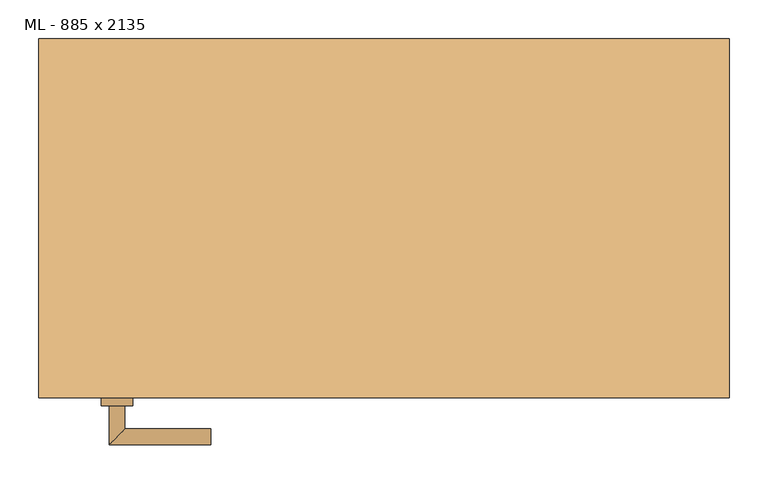
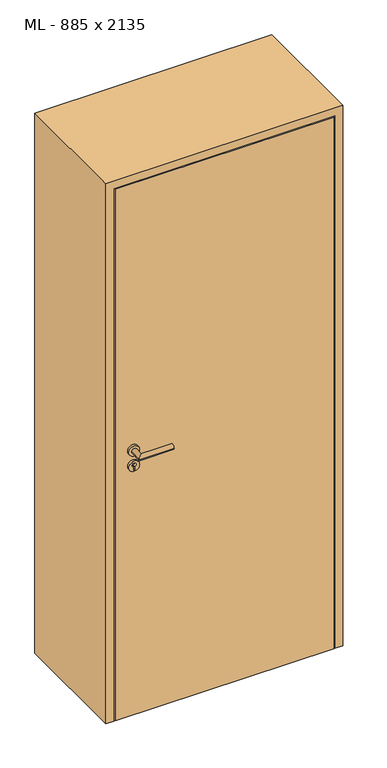
"""IFC4 building model written with IfcOpenShell, lengths in millimetres: door geometry, ML - 885 x 2135."""

from ifc_helpers import new_model, si_unit, point, frame, frame_2d, origin, origin_with_axes, place, context, project, spatial, polyline, circle_curve, ellipse_curve, trimmed, segment, composite_curve, outline, extrude, faceted_brep, source, transform, mapped, element, save
from ifc_brep_helpers import plane_surface, cylinder_surface, advanced_brep


def ml_885_x_2135_a4004e5d(model_context):
    return source(origin(), model_context, "Body", "SolidModel", [
        extrude(outline(polyline([(408.5, -230.0), (-408.5, -230.0), (-408.5, -185.0), (408.5, -185.0), (408.5, -230.0)])), origin_with_axes(), (0.0, 0.0, 1.0), 2101.0),
        advanced_brep(
        [(-332.5, -240.0, 1050.0), (-352.5, -240.0, 1050.0), (-352.5, -290.0, 1050.0), (-332.5, -270.0, 1050.0), (-222.5, -270.0, 1050.0), (-222.5, -290.0, 1050.0)],
        [
            (0, 1, circle_curve(frame((-342.5, -240.0, 1050.0), z_axis=(0.0, 1.0, 0.0), x_axis=(-1.0, 0.0, 0.0)), 10.0)),
            (1, 0, circle_curve(frame((-342.5, -240.0, 1050.0), z_axis=(0.0, 1.0, 0.0), x_axis=(-1.0, 0.0, 0.0)), 10.0)),
            (1, 2),
            (2, 3, ellipse_curve(frame((-342.5, -280.0, 1050.0), z_axis=(-0.7071067811865531, 0.7071067811865419, 0.0), x_axis=(0.707106781186542, 0.707106781186553, 0.0)), 14.1421356, 10.0)),
            (3, 0),
            (3, 2, ellipse_curve(frame((-342.5, -280.0, 1050.0), z_axis=(-0.7071067811865531, 0.7071067811865419, 0.0), x_axis=(0.707106781186542, 0.707106781186553, 0.0)), 14.1421356, 10.0)),
            (4, 5, circle_curve(frame((-222.5, -280.0, 1050.0), z_axis=(1.0, 0.0, 0.0), x_axis=(0.0, -1.0, 0.0)), 10.0)),
            (5, 4, circle_curve(frame((-222.5, -280.0, 1050.0), z_axis=(1.0, 0.0, 0.0), x_axis=(0.0, -1.0, 0.0)), 10.0)),
            (2, 5),
            (4, 3),
        ],
        [
            plane_surface(frame((-342.5, -240.0, 1050.0), z_axis=(0.0, 1.0, 0.0), x_axis=(0.0, 0.0, 1.0))),
            cylinder_surface(frame((-342.5, -240.0, 1050.0), z_axis=(0.0, 1.0, 0.0), x_axis=(-1.0, 0.0, 0.0)), 10.0),
            plane_surface(frame((-222.5, -280.0, 1050.0), z_axis=(1.0, 0.0, 0.0), x_axis=(0.0, 0.0, 1.0))),
            cylinder_surface(frame((-342.5, -280.0, 1050.0), z_axis=(-1.0, 0.0, 0.0), x_axis=(0.0, -1.0, 0.0)), 10.0),
        ],
        [
            (0, [[1, 2]]),
            (1, [[3, 4, 5, -2]]),
            (1, [[-5, 6, -3, -1]]),
            (2, [[7, 8]]),
            (3, [[9, -7, 10, -4]]),
            (3, [[-10, -8, -9, -6]]),
        ],
    ),
        extrude(outline(composite_curve([segment(trimmed(circle_curve(frame_2d((990.0, -342.5)), 20.0), [point((990.0, -362.5))], [point((990.0, -322.5))], False, "CARTESIAN"), True, "CONTINUOUS"), segment(trimmed(circle_curve(frame_2d((990.0, -342.5)), 20.0), [point((990.0, -322.5))], [point((990.0, -362.5))], False, "CARTESIAN"), True, "CONTINUOUS")], self_intersect=False), holes=[composite_curve([segment(polyline([(976.4601385, -344.897268), (988.4749012, -344.897268)]), True, "CONTINUOUS"), segment(trimmed(circle_curve(frame_2d((995.0361633, -342.5)), 6.9854888), [point((988.4749012, -344.897268))], [point((988.4749012, -340.102732))], True, "CARTESIAN"), True, "CONTINUOUS"), segment(polyline([(988.4749012, -340.102732), (976.4601385, -340.102732)]), True, "CONTINUOUS"), segment(trimmed(circle_curve(frame_2d((976.4601385, -342.5)), 2.397268), [point((976.4601385, -340.102732))], [point((976.4601385, -344.897268))], True, "CARTESIAN"), True, "CONTINUOUS")], self_intersect=False)]), frame((0.0, -240.0, 0.0), z_axis=(0.0, 1.0, 0.0), x_axis=(0.0, 0.0, 1.0)), (0.0, 0.0, 1.0), 10.0),
        advanced_brep(
        [(-332.5, -240.0, 1050.0), (-352.5, -240.0, 1050.0), (-352.5, -290.0, 1050.0), (-332.5, -270.0, 1050.0), (-222.5, -270.0, 1050.0), (-222.5, -290.0, 1050.0)],
        [
            (0, 1, circle_curve(frame((-342.5, -240.0, 1050.0), z_axis=(0.0, 1.0, 0.0), x_axis=(-1.0, 0.0, 0.0)), 10.0)),
            (1, 0, circle_curve(frame((-342.5, -240.0, 1050.0), z_axis=(0.0, 1.0, 0.0), x_axis=(-1.0, 0.0, 0.0)), 10.0)),
            (1, 2),
            (2, 3, ellipse_curve(frame((-342.5, -280.0, 1050.0), z_axis=(-0.7071067811865537, 0.7071067811865414, 0.0), x_axis=(0.7071067811865414, 0.7071067811865536, 0.0)), 14.1421356, 10.0)),
            (3, 0),
            (3, 2, ellipse_curve(frame((-342.5, -280.0, 1050.0), z_axis=(-0.7071067811865537, 0.7071067811865414, 0.0), x_axis=(0.7071067811865414, 0.7071067811865536, 0.0)), 14.1421356, 10.0)),
            (4, 5, circle_curve(frame((-222.5, -280.0, 1050.0), z_axis=(1.0, 0.0, 0.0), x_axis=(0.0, -1.0, 0.0)), 10.0)),
            (5, 4, circle_curve(frame((-222.5, -280.0, 1050.0), z_axis=(1.0, 0.0, 0.0), x_axis=(0.0, -1.0, 0.0)), 10.0)),
            (2, 5),
            (4, 3),
        ],
        [
            plane_surface(frame((-342.5, -240.0, 1050.0), z_axis=(0.0, 1.0, 0.0), x_axis=(0.0, 0.0, 1.0))),
            cylinder_surface(frame((-342.5, -240.0, 1050.0), z_axis=(0.0, 1.0, 0.0), x_axis=(-1.0, 0.0, 0.0)), 10.0),
            plane_surface(frame((-222.5, -280.0, 1050.0), z_axis=(1.0, 0.0, 0.0), x_axis=(0.0, 0.0, 1.0))),
            cylinder_surface(frame((-342.5, -280.0, 1050.0), z_axis=(-1.0, 0.0, 0.0), x_axis=(0.0, -1.0, 0.0)), 10.0),
        ],
        [
            (0, [[1, 2]]),
            (1, [[3, 4, 5, -2]]),
            (1, [[-5, 6, -3, -1]]),
            (2, [[7, 8]]),
            (3, [[9, -7, 10, -4]]),
            (3, [[-10, -8, -9, -6]]),
        ],
    ),
        extrude(outline(composite_curve([segment(trimmed(circle_curve(frame_2d((1050.0, -342.5)), 20.0), [point((1050.0, -362.5))], [point((1050.0, -322.5))], False, "CARTESIAN"), True, "CONTINUOUS"), segment(trimmed(circle_curve(frame_2d((1050.0, -342.5)), 20.0), [point((1050.0, -322.5))], [point((1050.0, -362.5))], False, "CARTESIAN"), True, "CONTINUOUS")], self_intersect=False)), frame((0.0, -240.0, 0.0), z_axis=(0.0, 1.0, 0.0), x_axis=(0.0, 0.0, 1.0)), (0.0, 0.0, 1.0), 10.0),
        advanced_brep(
        [(-332.5, -175.0, 1050.0), (-352.5, -175.0, 1050.0), (-332.5, -145.0, 1050.0), (-352.5, -125.0, 1050.0), (-222.5, -145.0, 1050.0), (-222.5, -125.0, 1050.0)],
        [
            (0, 1, circle_curve(frame((-342.5, -175.0, 1050.0), z_axis=(0.0, -1.0, 0.0), x_axis=(-1.0, 0.0, 0.0)), 10.0)),
            (1, 0, circle_curve(frame((-342.5, -175.0, 1050.0), z_axis=(0.0, -1.0, 0.0), x_axis=(-1.0, 0.0, 0.0)), 10.0)),
            (0, 2),
            (2, 3, ellipse_curve(frame((-342.5, -135.0, 1050.0), z_axis=(-0.7071067811865486, -0.7071067811865464, 0.0), x_axis=(0.7071067811865464, -0.7071067811865488, 0.0)), 14.1421356, 10.0)),
            (3, 1),
            (3, 2, ellipse_curve(frame((-342.5, -135.0, 1050.0), z_axis=(-0.7071067811865486, -0.7071067811865464, 0.0), x_axis=(0.7071067811865464, -0.7071067811865488, 0.0)), 14.1421356, 10.0)),
            (4, 5, circle_curve(frame((-222.5, -135.0, 1050.0), z_axis=(1.0, 0.0, 0.0), x_axis=(0.0, 1.0, 0.0)), 10.0)),
            (5, 4, circle_curve(frame((-222.5, -135.0, 1050.0), z_axis=(1.0, 0.0, 0.0), x_axis=(0.0, 1.0, 0.0)), 10.0)),
            (2, 4),
            (5, 3),
        ],
        [
            plane_surface(frame((-342.5, -175.0, 1050.0), z_axis=(0.0, -1.0, 0.0), x_axis=(0.0, 0.0, 1.0))),
            cylinder_surface(frame((-342.5, -175.0, 1050.0), z_axis=(0.0, -1.0, 0.0), x_axis=(-1.0, 0.0, 0.0)), 10.0),
            plane_surface(frame((-222.5, -135.0, 1050.0), z_axis=(1.0, 0.0, 0.0), x_axis=(0.0, 0.0, 1.0))),
            cylinder_surface(frame((-342.5, -135.0, 1050.0), z_axis=(-1.0, 0.0, 0.0), x_axis=(0.0, 1.0, 0.0)), 10.0),
        ],
        [
            (0, [[1, 2]]),
            (1, [[-1, 3, 4, 5]]),
            (1, [[-2, -5, 6, -3]]),
            (2, [[7, 8]]),
            (3, [[-4, 9, -8, 10]]),
            (3, [[-6, -10, -7, -9]]),
        ],
    ),
        extrude(outline(composite_curve([segment(trimmed(circle_curve(frame_2d((990.0, -342.5)), 20.0), [point((990.0, -362.5))], [point((990.0, -322.5))], False, "CARTESIAN"), True, "CONTINUOUS"), segment(trimmed(circle_curve(frame_2d((990.0, -342.5)), 20.0), [point((990.0, -322.5))], [point((990.0, -362.5))], False, "CARTESIAN"), True, "CONTINUOUS")], self_intersect=False), holes=[composite_curve([segment(polyline([(976.4601385, -344.897268), (988.4749012, -344.897268)]), True, "CONTINUOUS"), segment(trimmed(circle_curve(frame_2d((995.0361633, -342.5)), 6.9854888), [point((988.4749012, -344.897268))], [point((988.4749012, -340.102732))], True, "CARTESIAN"), True, "CONTINUOUS"), segment(polyline([(988.4749012, -340.102732), (976.4601385, -340.102732)]), True, "CONTINUOUS"), segment(trimmed(circle_curve(frame_2d((976.4601385, -342.5)), 2.397268), [point((976.4601385, -340.102732))], [point((976.4601385, -344.897268))], True, "CARTESIAN"), True, "CONTINUOUS")], self_intersect=False)]), frame((0.0, -185.0, 0.0), z_axis=(0.0, 1.0, 0.0), x_axis=(0.0, 0.0, 1.0)), (0.0, 0.0, 1.0), 10.0),
        advanced_brep(
        [(-332.5, -175.0, 1050.0), (-352.5, -175.0, 1050.0), (-332.5, -145.0, 1050.0), (-352.5, -125.0, 1050.0), (-222.5, -145.0, 1050.0), (-222.5, -125.0, 1050.0)],
        [
            (0, 1, circle_curve(frame((-342.5, -175.0, 1050.0), z_axis=(0.0, -1.0, 0.0), x_axis=(-1.0, 0.0, 0.0)), 10.0)),
            (1, 0, circle_curve(frame((-342.5, -175.0, 1050.0), z_axis=(0.0, -1.0, 0.0), x_axis=(-1.0, 0.0, 0.0)), 10.0)),
            (0, 2),
            (2, 3, ellipse_curve(frame((-342.5, -135.0, 1050.0), z_axis=(-0.7071067811865491, -0.7071067811865459, 0.0), x_axis=(0.7071067811865458, -0.7071067811865492, 0.0)), 14.1421356, 10.0)),
            (3, 1),
            (3, 2, ellipse_curve(frame((-342.5, -135.0, 1050.0), z_axis=(-0.7071067811865491, -0.7071067811865459, 0.0), x_axis=(0.7071067811865458, -0.7071067811865492, 0.0)), 14.1421356, 10.0)),
            (4, 5, circle_curve(frame((-222.5, -135.0, 1050.0), z_axis=(1.0, 0.0, 0.0), x_axis=(0.0, 1.0, 0.0)), 10.0)),
            (5, 4, circle_curve(frame((-222.5, -135.0, 1050.0), z_axis=(1.0, 0.0, 0.0), x_axis=(0.0, 1.0, 0.0)), 10.0)),
            (2, 4),
            (5, 3),
        ],
        [
            plane_surface(frame((-342.5, -175.0, 1050.0), z_axis=(0.0, -1.0, 0.0), x_axis=(0.0, 0.0, 1.0))),
            cylinder_surface(frame((-342.5, -175.0, 1050.0), z_axis=(0.0, -1.0, 0.0), x_axis=(-1.0, 0.0, 0.0)), 10.0),
            plane_surface(frame((-222.5, -135.0, 1050.0), z_axis=(1.0, 0.0, 0.0), x_axis=(0.0, 0.0, 1.0))),
            cylinder_surface(frame((-342.5, -135.0, 1050.0), z_axis=(-1.0, 0.0, 0.0), x_axis=(0.0, 1.0, 0.0)), 10.0),
        ],
        [
            (0, [[1, 2]]),
            (1, [[-1, 3, 4, 5]]),
            (1, [[-2, -5, 6, -3]]),
            (2, [[7, 8]]),
            (3, [[-4, 9, -8, 10]]),
            (3, [[-6, -10, -7, -9]]),
        ],
    ),
        extrude(outline(composite_curve([segment(trimmed(circle_curve(frame_2d((1050.0, -342.5)), 20.0), [point((1050.0, -362.5))], [point((1050.0, -322.5))], False, "CARTESIAN"), True, "CONTINUOUS"), segment(trimmed(circle_curve(frame_2d((1050.0, -342.5)), 20.0), [point((1050.0, -322.5))], [point((1050.0, -362.5))], False, "CARTESIAN"), True, "CONTINUOUS")], self_intersect=False)), frame((0.0, -185.0, 0.0), z_axis=(0.0, 1.0, 0.0), x_axis=(0.0, 0.0, 1.0)), (0.0, 0.0, 1.0), 10.0),
        faceted_brep([(-412.5, -230.0, 0.0), (-442.5, -230.0, 0.0), (-442.5, 230.0, 0.0), (-397.5, 230.0, 0.0), (-397.5, -185.0, 0.0), (-412.5, -185.0, 0.0), (-412.5, -185.0, 2105.0), (-412.5, -230.0, 2105.0), (-397.5, -185.0, 2090.0), (397.5, -185.0, 2090.0), (397.5, -185.0, 0.0), (412.5, -185.0, 0.0), (412.5, -185.0, 2105.0), (-397.5, 230.0, 2090.0), (-442.5, 230.0, 2135.0), (442.5, 230.0, 2135.0), (442.5, 230.0, 0.0), (397.5, 230.0, 0.0), (397.5, 230.0, 2090.0), (-442.5, -230.0, 2135.0), (412.5, -230.0, 2105.0), (412.5, -230.0, 0.0), (442.5, -230.0, 0.0), (442.5, -230.0, 2135.0)], [[[0, 1, 2, 3, 4, 5]], [[5, 6, 7, 0]], [[4, 8, 9, 10, 11, 12, 6, 5]], [[3, 13, 8, 4]], [[2, 14, 15, 16, 17, 18, 13, 3]], [[1, 19, 14, 2]], [[0, 7, 20, 21, 22, 23, 19, 1]], [[23, 22, 16, 15]], [[21, 11, 10, 17, 16, 22]], [[12, 11, 21, 20]], [[18, 17, 10, 9]], [[19, 23, 15, 14]], [[13, 18, 9, 8]], [[6, 12, 20, 7]]]),
    ])


if __name__ == "__main__":
    model = new_model("IFC4")
    model_context = context("Model", 3, world=origin())
    ifc_project = project(units=[si_unit("LENGTHUNIT", "METRE", prefix="MILLI")], contexts=[model_context])
    site = spatial("IfcSite", under=ifc_project)
    building = spatial("IfcBuilding", under=site)
    placement = place(None, origin())
    ml_885_x_2135_shape = ml_885_x_2135_a4004e5d(model_context)
    element("IfcDoor", 1, ObjectType="ML - 885 x 2135", at=placement, inside=building, context=model_context, shape_type="MappedRepresentation", body=[
        mapped(ml_885_x_2135_shape, transform((0.0, 0.0, 0.0), x_axis=(1.0, 0.0, 0.0), y_axis=(0.0, 1.0, 0.0), z_axis=(0.0, 0.0, 1.0))),
    ])
    save(model, "model.ifc")
